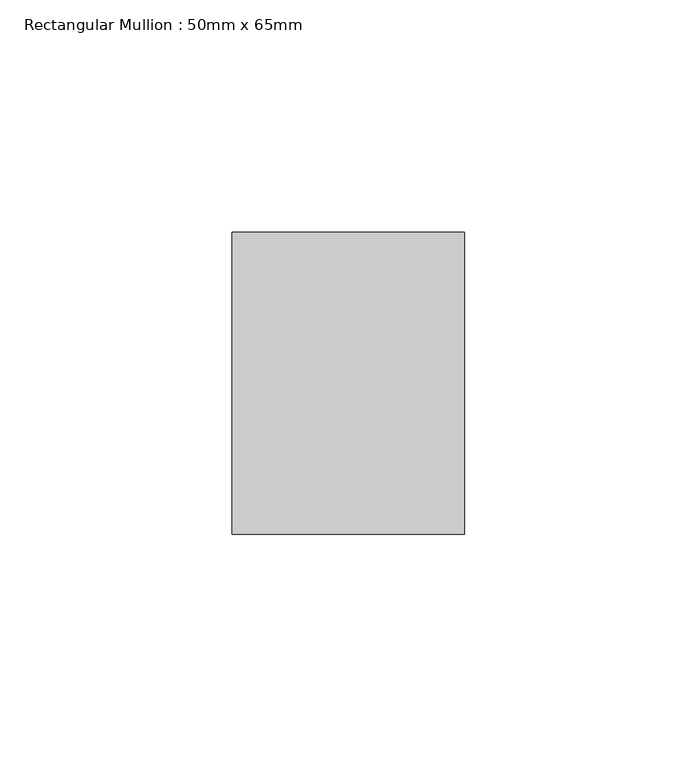
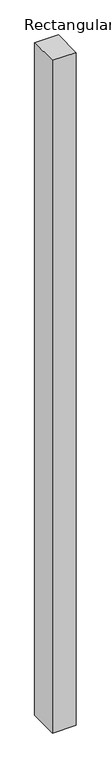
"""IFC4 building model written with IfcOpenShell, lengths in millimetres: member geometry, Rectangular Mullion : 50mm x 65mm."""

from ifc_helpers import new_model, si_unit, origin, place, context, project, spatial, faceted_brep, source, transform, mapped, element, save


def rectangular_mullion_50mm_x_65mm_7ca0e707(model_context):
    return source(origin(), model_context, "Body", "Brep", [
        faceted_brep([(-25.0, 32.5, -0.0980887), (25.0, 32.5, -0.0980879), (25.0, 32.5, -1499.8164407), (-25.0, 32.5, -1499.8164391), (-25.0, -32.5, 0.0980879), (-25.0, -32.5, -1500.1835828), (25.0, -32.5, 0.0980887), (25.0, -32.5, -1500.1835844)], [[[0, 1, 2, 3]], [[4, 0, 3, 5]], [[6, 4, 5, 7]], [[1, 6, 7, 2]], [[1, 0, 4, 6]], [[2, 7, 5, 3]]]),
    ])


if __name__ == "__main__":
    model = new_model("IFC4")
    model_context = context("Model", 3, world=origin())
    ifc_project = project(units=[si_unit("LENGTHUNIT", "METRE", prefix="MILLI")], contexts=[model_context])
    site = spatial("IfcSite", under=ifc_project)
    building = spatial("IfcBuilding", under=site)
    placement = place(None, origin())
    rectangular_mullion_50mm_x_65mm_shape = rectangular_mullion_50mm_x_65mm_7ca0e707(model_context)
    element("IfcMember", 1, ObjectType="Rectangular Mullion : 50mm x 65mm", at=placement, inside=building, context=model_context, shape_type="MappedRepresentation", body=[
        mapped(rectangular_mullion_50mm_x_65mm_shape, transform((0.0, 0.0, 0.0), x_axis=(1.0, 0.0, 0.0), y_axis=(0.0, 1.0, 0.0), z_axis=(0.0, 0.0, 1.0))),
    ])
    save(model, "model.ifc")
